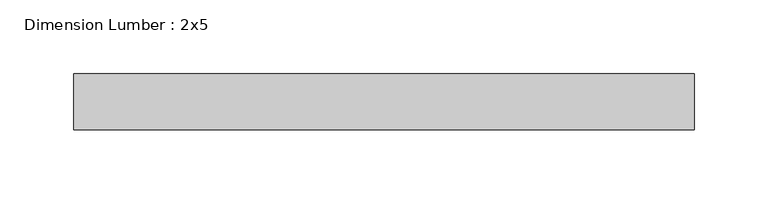
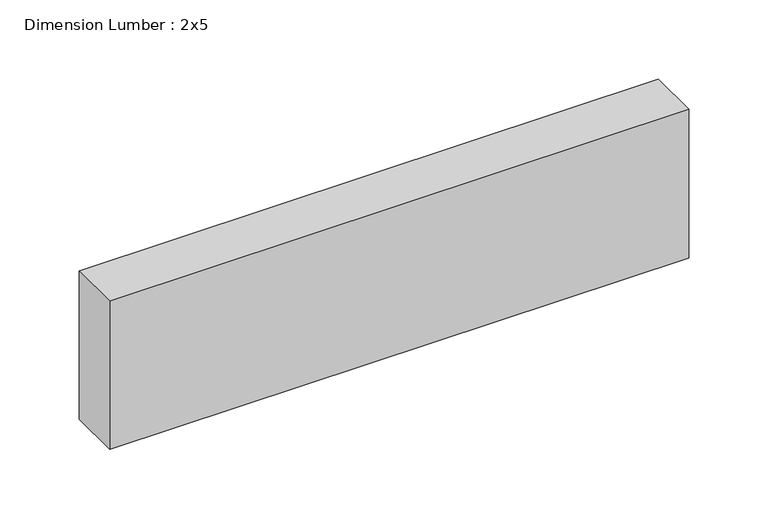
"""IFC4 building model written with IfcOpenShell, lengths in millimetres: beam geometry, Dimension Lumber : 2x5."""

from ifc_helpers import new_model, si_unit, frame, origin, place, context, project, spatial, polyline, outline, extrude, source, transform, mapped, element, save


def dimension_lumber_2x5_34fbde4e(model_context):
    return source(origin(), model_context, "Body", "SweptSolid", [
        extrude(outline(polyline([(208.1362036, 19.05), (208.1362036, -19.05), (-212.987592, -19.05), (-212.987592, 19.05), (208.1362036, 19.05)])), frame((0.0, 0.0, -57.15), z_axis=(0.0, 0.0, 1.0), x_axis=(1.0, 0.0, 0.0)), (0.0, 0.0, 1.0), 114.3),
    ])


if __name__ == "__main__":
    model = new_model("IFC4")
    model_context = context("Model", 3, world=origin())
    ifc_project = project(units=[si_unit("LENGTHUNIT", "METRE", prefix="MILLI")], contexts=[model_context])
    site = spatial("IfcSite", under=ifc_project)
    building = spatial("IfcBuilding", under=site)
    placement = place(None, origin())
    dimension_lumber_2x5_shape = dimension_lumber_2x5_34fbde4e(model_context)
    element("IfcBeam", 1, ObjectType="Dimension Lumber : 2x5", at=placement, inside=building, context=model_context, shape_type="MappedRepresentation", body=[
        mapped(dimension_lumber_2x5_shape, transform((0.0, 0.0, 0.0), x_axis=(1.0, 0.0, 0.0), y_axis=(0.0, 1.0, 0.0), z_axis=(0.0, 0.0, 1.0))),
    ])
    save(model, "model.ifc")
